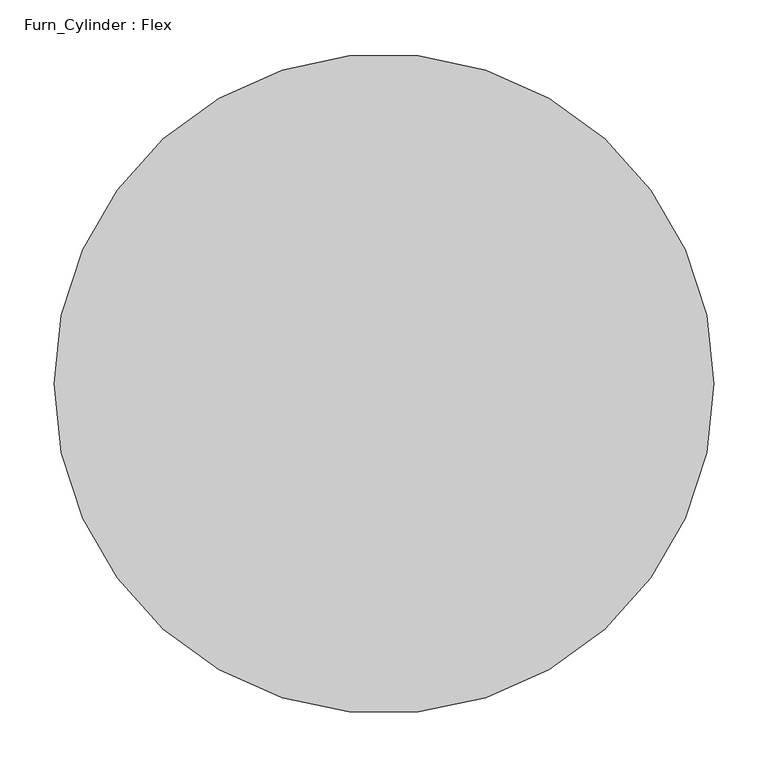
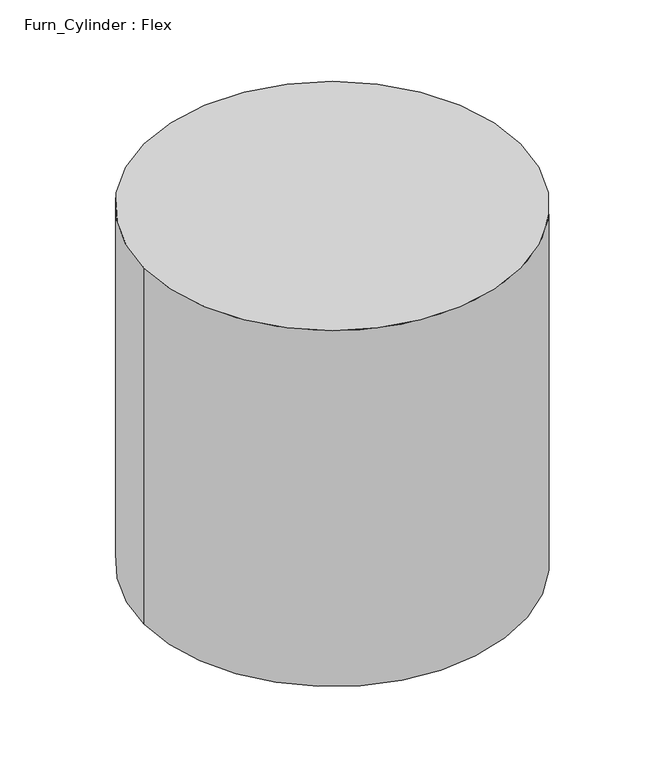
"""IFC4 building model written with IfcOpenShell, lengths in millimetres: furniture geometry, Furn_Cylinder : Flex."""

from ifc_helpers import new_model, si_unit, point, origin, origin_with_axes, origin_2d, place, context, project, spatial, circle_curve, trimmed, segment, composite_curve, outline, extrude, source, transform, mapped, element, save


def furn_cylinder_flex_1d4c0a51(model_context):
    return source(origin(), model_context, "Body", "SweptSolid", [
        extrude(outline(composite_curve([segment(trimmed(circle_curve(origin_2d(), 304.8), [point((-304.8, 0.0))], [point((304.8, 0.0))], False, "CARTESIAN"), True, "CONTINUOUS"), segment(trimmed(circle_curve(origin_2d(), 304.8), [point((304.8, 0.0))], [point((-304.8, 0.0))], False, "CARTESIAN"), True, "CONTINUOUS")], self_intersect=False)), origin_with_axes(), (0.0, 0.0, 1.0), 609.6),
    ])


if __name__ == "__main__":
    model = new_model("IFC4")
    model_context = context("Model", 3, world=origin())
    ifc_project = project(units=[si_unit("LENGTHUNIT", "METRE", prefix="MILLI")], contexts=[model_context])
    site = spatial("IfcSite", under=ifc_project)
    building = spatial("IfcBuilding", under=site)
    placement = place(None, origin())
    furn_cylinder_flex_shape = furn_cylinder_flex_1d4c0a51(model_context)
    element("IfcFurniture", 1, ObjectType="Furn_Cylinder : Flex", at=placement, inside=building, context=model_context, shape_type="MappedRepresentation", body=[
        mapped(furn_cylinder_flex_shape, transform((0.0, 0.0, 0.0), x_axis=(1.0, 0.0, 0.0), y_axis=(0.0, 1.0, 0.0), z_axis=(0.0, 0.0, 1.0))),
    ])
    save(model, "model.ifc")
